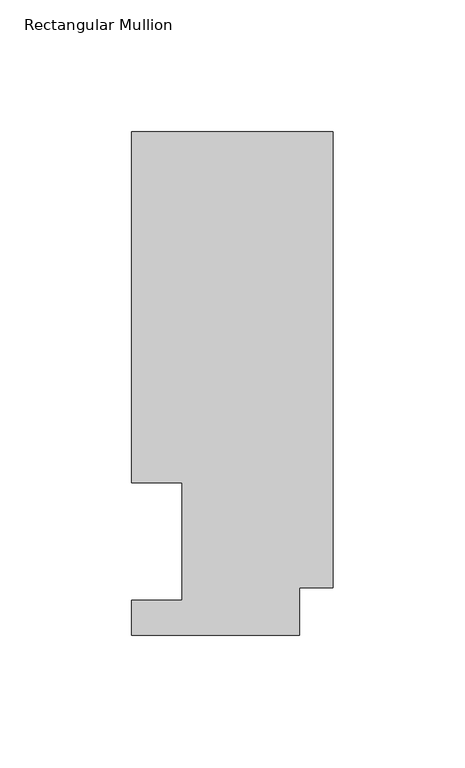
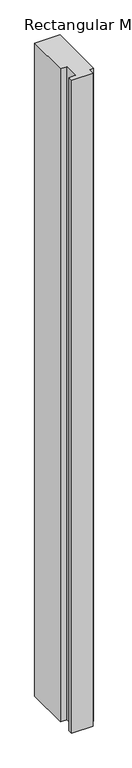
"""IFC4 building model written with IfcOpenShell, lengths in millimetres: member geometry, Rectangular Mullion."""

from ifc_helpers import new_model, si_unit, frame, origin, place, context, project, spatial, polyline, outline, extrude, source, transform, mapped, element, save


def rectangular_mullion_a4fc6646(model_context):
    return source(origin(), model_context, "Body", "SweptSolid", [
        extrude(outline(polyline([(-76.2, 57.6460937), (-76.2, 190.5896937), (0.0, 190.5896937), (0.0, 17.9712937), (-12.7, 17.9712937), (-12.7, 0.0134937), (-76.2, 0.0134937), (-76.2, 13.1960937), (-57.15, 13.1960937), (-57.15, 57.6460937), (-76.2, 57.6460937)])), frame((0.0, 0.0, -2057.4), z_axis=(0.0, 0.0, 1.0), x_axis=(1.0, 0.0, 0.0)), (0.0, 0.0, 1.0), 2057.4),
    ])


if __name__ == "__main__":
    model = new_model("IFC4")
    model_context = context("Model", 3, world=origin())
    ifc_project = project(units=[si_unit("LENGTHUNIT", "METRE", prefix="MILLI")], contexts=[model_context])
    site = spatial("IfcSite", under=ifc_project)
    building = spatial("IfcBuilding", under=site)
    placement = place(None, origin())
    rectangular_mullion_shape = rectangular_mullion_a4fc6646(model_context)
    element("IfcMember", 1, ObjectType="Rectangular Mullion", at=placement, inside=building, context=model_context, shape_type="MappedRepresentation", body=[
        mapped(rectangular_mullion_shape, transform((0.0, 0.0, 0.0), x_axis=(1.0, 0.0, 0.0), y_axis=(0.0, 1.0, 0.0), z_axis=(0.0, 0.0, 1.0))),
    ])
    save(model, "model.ifc")
